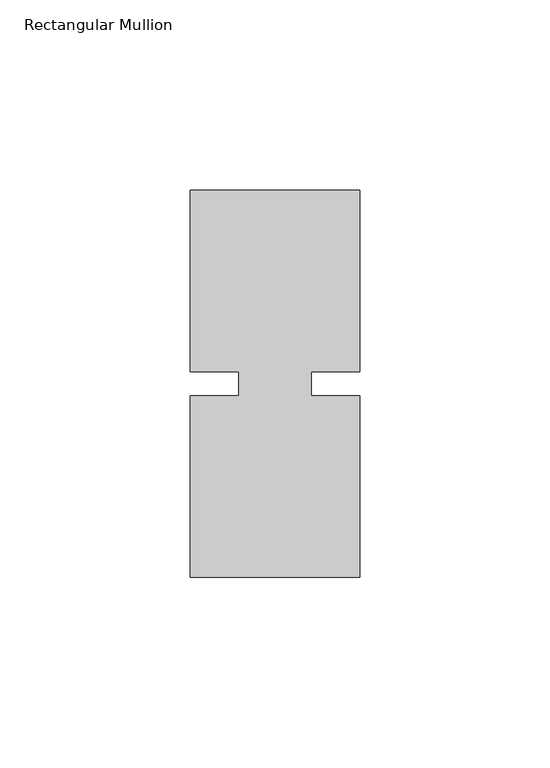
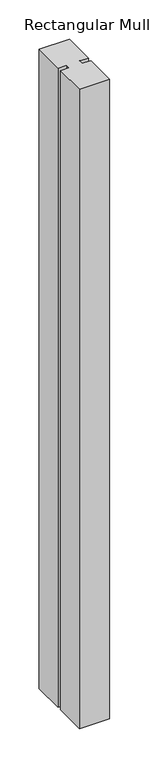
"""IFC4 building model written with IfcOpenShell, lengths in millimetres: member geometry, Rectangular Mullion."""

from ifc_helpers import new_model, si_unit, frame, origin, place, context, project, spatial, polyline, outline, extrude, source, transform, mapped, element, save


def rectangular_mullion_9f0ba2d1(model_context):
    return source(origin(), model_context, "Body", "SweptSolid", [
        extrude(outline(polyline([(26.5594027, 50.8), (26.5594027, 3.175), (13.8576322, 3.175), (13.8576322, -3.175), (26.5594027, -3.175), (26.5594027, -50.8), (-17.8905973, -50.8), (-17.8905973, -3.175), (-5.1905973, -3.175), (-5.1905973, 3.175), (-17.8905973, 3.175), (-17.8905973, 50.8), (26.5594027, 50.8)])), frame((0.0, 0.0, -989.4405973), z_axis=(0.0, 0.0, 1.0), x_axis=(1.0, 0.0, 0.0)), (0.0, 0.0, 1.0), 989.4405973),
    ])


if __name__ == "__main__":
    model = new_model("IFC4")
    model_context = context("Model", 3, world=origin())
    ifc_project = project(units=[si_unit("LENGTHUNIT", "METRE", prefix="MILLI")], contexts=[model_context])
    site = spatial("IfcSite", under=ifc_project)
    building = spatial("IfcBuilding", under=site)
    placement = place(None, origin())
    rectangular_mullion_shape = rectangular_mullion_9f0ba2d1(model_context)
    element("IfcMember", 1, ObjectType="Rectangular Mullion", at=placement, inside=building, context=model_context, shape_type="MappedRepresentation", body=[
        mapped(rectangular_mullion_shape, transform((0.0, 0.0, 0.0), x_axis=(1.0, 0.0, 0.0), y_axis=(0.0, 1.0, 0.0), z_axis=(0.0, 0.0, 1.0))),
    ])
    save(model, "model.ifc")
